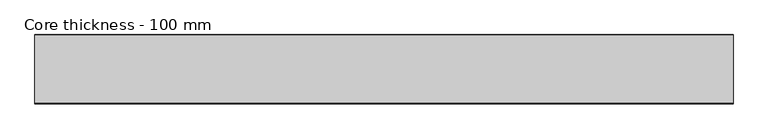
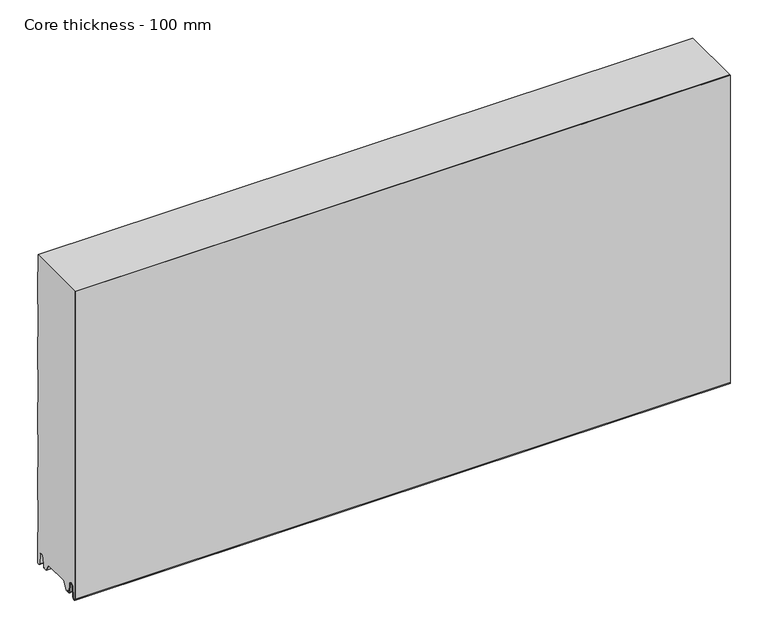
"""IFC4 building model written with IfcOpenShell, lengths in millimetres: plate geometry, Core thickness - 100 mm."""

from ifc_helpers import new_model, si_unit, frame, origin, place, context, project, spatial, polyline, circle_curve, source, transform, mapped, element, save
from ifc_brep_helpers import plane_surface, cylinder_surface, revolved_surface, advanced_brep


def core_thickness_100_mm_6556b540(model_context):
    return source(origin(), model_context, "Body", "AdvancedBrep", [
        advanced_brep(
        [(500.0000002, -99.9996949, 3.0900682), (500.0000002, -93.81449, 2.7875612), (500.0000002, -92.197116, 19.2828169), (500.0000002, -89.1776715, 21.9898782), (500.0000002, -86.1582271, 19.2828169), (500.0000002, -84.7725998, 5.1510966), (500.0000002, -80.3830995, 5.365779), (500.0000002, -81.1830995, 5.365779), (500.0000002, -83.9764178, 5.2291629), (500.0000002, -85.3620451, 19.3608832), (500.0000002, -89.1776715, 22.7899182), (500.0000002, -92.9932979, 19.3608832), (500.0000002, -94.6106719, 2.8656275), (500.0000002, -99.1996949, 3.0900682), (500.0000002, -99.2, 500.0), (500.0000002, -99.9996949, 500.0), (-500.0000002, -99.1996949, 3.0900682), (-500.0000002, -94.6106719, 2.8656275), (-500.0000002, -92.9932979, 19.3608832), (-500.0000002, -89.1776715, 22.7899182), (-500.0000002, -85.3620451, 19.3608832), (-500.0000002, -83.9764178, 5.2291629), (-500.0000002, -81.1830995, 5.365779), (-500.0000002, -80.3830995, 5.365779), (-500.0000002, -84.7725998, 5.1510966), (-500.0000002, -86.1582271, 19.2828169), (-500.0000002, -89.1776715, 21.9898782), (-500.0000002, -92.197116, 19.2828169), (-500.0000002, -93.81449, 2.7875612), (-500.0000002, -99.9996949, 3.0900682), (-500.0000002, -99.9996949, 500.0), (-500.0000002, -99.2, 500.0)],
        [
            (0, 1, circle_curve(frame((500.0000002, -96.8996949, 3.0900682), z_axis=(1.0, 0.0, 0.0), x_axis=(0.0, 0.0, -1.0)), 3.1)),
            (1, 2),
            (2, 3, circle_curve(frame((500.0000002, -89.2114338, 18.9900682), z_axis=(-1.0, 0.0, 0.0), x_axis=(0.0, 0.0, -1.0)), 3.0)),
            (3, 4, circle_curve(frame((500.0000002, -89.1439093, 18.9900682), z_axis=(-1.0, 0.0, 0.0), x_axis=(0.0, 0.0, -1.0)), 3.0)),
            (4, 5),
            (5, 6, circle_curve(frame((500.0000002, -82.5830995, 5.365779), z_axis=(1.0, 0.0, 0.0), x_axis=(0.0, 0.0, -1.0)), 2.2)),
            (6, 7),
            (7, 8, circle_curve(frame((500.0000002, -82.5830995, 5.365779), z_axis=(-1.0, 0.0, 0.0), x_axis=(0.0, 0.0, -1.0)), 1.4)),
            (8, 9),
            (9, 10, circle_curve(frame((500.0000002, -89.1439093, 18.9900682), z_axis=(1.0, 0.0, 0.0), x_axis=(0.0, 0.0, -1.0)), 3.8)),
            (10, 11, circle_curve(frame((500.0000002, -89.2114338, 18.9900682), z_axis=(1.0, 0.0, 0.0), x_axis=(0.0, 0.0, -1.0)), 3.8)),
            (11, 12),
            (12, 13, circle_curve(frame((500.0000002, -96.8996949, 3.0900682), z_axis=(-1.0, 0.0, 0.0), x_axis=(0.0, 0.0, -1.0)), 2.3)),
            (13, 14),
            (14, 15),
            (15, 0),
            (16, 17, circle_curve(frame((-500.0000002, -96.8996949, 3.0900682), z_axis=(1.0, 0.0, 0.0), x_axis=(0.0, 0.0, -1.0)), 2.3)),
            (17, 18),
            (18, 19, circle_curve(frame((-500.0000002, -89.2114338, 18.9900682), z_axis=(-1.0, 0.0, 0.0), x_axis=(0.0, 0.0, -1.0)), 3.8)),
            (19, 20, circle_curve(frame((-500.0000002, -89.1439093, 18.9900682), z_axis=(-1.0, 0.0, 0.0), x_axis=(0.0, 0.0, -1.0)), 3.8)),
            (20, 21),
            (21, 22, circle_curve(frame((-500.0000002, -82.5830995, 5.365779), z_axis=(1.0, 0.0, 0.0), x_axis=(0.0, 0.0, -1.0)), 1.4)),
            (22, 23),
            (23, 24, circle_curve(frame((-500.0000002, -82.5830995, 5.365779), z_axis=(-1.0, 0.0, 0.0), x_axis=(0.0, 0.0, -1.0)), 2.2)),
            (24, 25),
            (25, 26, circle_curve(frame((-500.0000002, -89.1439093, 18.9900682), z_axis=(1.0, 0.0, 0.0), x_axis=(0.0, 0.0, -1.0)), 3.0)),
            (26, 27, circle_curve(frame((-500.0000002, -89.2114338, 18.9900682), z_axis=(1.0, 0.0, 0.0), x_axis=(0.0, 0.0, -1.0)), 3.0)),
            (27, 28),
            (28, 29, circle_curve(frame((-500.0000002, -96.8996949, 3.0900682), z_axis=(-1.0, 0.0, 0.0), x_axis=(0.0, 0.0, -1.0)), 3.1)),
            (29, 30),
            (30, 31),
            (31, 16),
            (13, 16),
            (31, 14),
            (12, 17),
            (11, 18),
            (10, 19),
            (9, 20),
            (8, 21),
            (7, 22),
            (6, 23),
            (5, 24),
            (4, 25),
            (3, 26),
            (2, 27),
            (1, 28),
            (0, 29),
            (15, 30),
        ],
        [
            plane_surface(frame((500.0000002, -100.0, 0.0), z_axis=(1.0, 0.0, 0.0), x_axis=(0.0, 1.0, 0.0))),
            plane_surface(frame((-500.0000002, -100.0, 0.0), z_axis=(-1.0, 0.0, 0.0), x_axis=(0.0, 1.0, 0.0))),
            plane_surface(frame((500.0000002, -99.2, 3.0900682), z_axis=(0.0, 1.0, 0.0), x_axis=(-1.0, 0.0, 0.0))),
            revolved_surface(polyline([(-500.0000002, -96.8996949, 0.7900682000000003), (500.0000002, -96.8996949, 0.7900682000000003)]), (500.0000002, -96.8996949, 3.0900682), (-1.0, 0.0, 0.0)),
            plane_surface(frame((500.0000002, -92.9932979, 19.3608832), z_axis=(0.0, -0.9952273999818314, 0.09758289975914787), x_axis=(-1.0, 0.0, 0.0))),
            cylinder_surface(frame((500.0000002, -89.2114338, 18.9900682), z_axis=(1.0, 0.0, 0.0), x_axis=(0.0, 0.0, -1.0)), 3.8),
            cylinder_surface(frame((500.0000002, -89.1439093, 18.9900682), z_axis=(1.0, 0.0, 0.0), x_axis=(0.0, 0.0, -1.0)), 3.8),
            plane_surface(frame((500.0000002, -83.9764178, 5.2291629), z_axis=(0.0, 0.9952273999818297, 0.09758289975916531), x_axis=(-1.0, 0.0, 0.0))),
            revolved_surface(polyline([(-500.0000002, -82.5830995, 3.965779), (500.0000002, -82.5830995, 3.965779)]), (500.0000002, -82.5830995, 5.365779), (-1.0, 0.0, 0.0)),
            plane_surface(frame((500.0000002, -80.3830995, 5.365779), z_axis=(0.0, 0.0, 1.0), x_axis=(-1.0, 0.0, 0.0))),
            cylinder_surface(frame((500.0000002, -82.5830995, 5.365779), z_axis=(1.0, 0.0, 0.0), x_axis=(0.0, 0.0, -1.0)), 2.2),
            plane_surface(frame((500.0000002, -86.1582271, 19.2828169), z_axis=(0.0, -0.9952273999818296, -0.09758289975916527), x_axis=(-1.0, 0.0, 0.0))),
            revolved_surface(polyline([(-500.0000002, -89.1439093, 15.9900682), (500.0000002, -89.1439093, 15.9900682)]), (500.0000002, -89.1439093, 18.9900682), (-1.0, 0.0, 0.0)),
            revolved_surface(polyline([(-500.0000002, -89.2114338, 15.9900682), (500.0000002, -89.2114338, 15.9900682)]), (500.0000002, -89.2114338, 18.9900682), (-1.0, 0.0, 0.0)),
            plane_surface(frame((500.0000002, -93.81449, 2.7875612), z_axis=(0.0, 0.9952273999818314, -0.09758289975914787), x_axis=(-1.0, 0.0, 0.0))),
            cylinder_surface(frame((500.0000002, -96.8996949, 3.0900682), z_axis=(1.0, 0.0, 0.0), x_axis=(0.0, 0.0, -1.0)), 3.1),
            plane_surface(frame((500.0000002, -99.9996949, 993.9000005), z_axis=(0.0, -1.0, 0.0), x_axis=(-1.0, 0.0, 0.0))),
            plane_surface(frame((-500.0000002, 134.0533409, 500.0), z_axis=(0.0, 0.0, 1.0), x_axis=(1.0, 0.0, 0.0))),
        ],
        [
            (0, [[1, 2, 3, 4, 5, 6, 7, 8, 9, 10, 11, 12, 13, 14, 15, 16]]),
            (1, [[17, 18, 19, 20, 21, 22, 23, 24, 25, 26, 27, 28, 29, 30, 31, 32]]),
            (2, [[33, -32, 34, -14]]),
            (3, [[-13, 35, -17, -33]]),
            (4, [[-12, 36, -18, -35]]),
            (5, [[-11, 37, -19, -36]]),
            (6, [[-10, 38, -20, -37]]),
            (7, [[-9, 39, -21, -38]]),
            (8, [[-8, 40, -22, -39]]),
            (9, [[-7, 41, -23, -40]]),
            (10, [[-6, 42, -24, -41]]),
            (11, [[-5, 43, -25, -42]]),
            (12, [[-4, 44, -26, -43]]),
            (13, [[-3, 45, -27, -44]]),
            (14, [[-2, 46, -28, -45]]),
            (15, [[-1, 47, -29, -46]]),
            (16, [[-47, -16, 48, -30]]),
            (17, [[-15, -34, -31, -48]]),
        ],
    ),
        advanced_brep(
        [(500.0000002, -69.873448, 15.1417681), (500.0000002, -30.126552, 15.1417681), (500.0000002, -23.4071318, 3.165779), (500.0000002, -17.4169005, 3.165779), (500.0000002, -19.6169005, 5.365779), (500.0000002, -18.8169005, 5.365779), (500.0000002, -16.0235822, 5.2291629), (500.0000002, -14.6379549, 19.3608832), (500.0000002, -10.8223285, 22.7899182), (500.0000002, -7.0067021, 19.3608832), (500.0000002, -5.3893281, 2.8656275), (500.0000002, -0.8003051, 3.0900682), (500.0000002, -0.8, 49.9459237), (500.0000002, -1.0986697, 50.9973395), (500.0000002, -1.5003051, 52.4177205), (500.0000002, -1.5003051, 102.5775037), (500.0000002, -1.0971009, 103.9969151), (500.0000002, -0.8, 105.0493005), (500.0000002, -0.8, 155.2090837), (500.0000002, -1.0986697, 156.2604995), (500.0000002, -1.5003051, 157.6808805), (500.0000002, -1.5003051, 207.8406637), (500.0000002, -1.0971009, 209.2600751), (500.0000002, -0.8, 210.3124605), (500.0000002, -0.8, 260.4722437), (500.0000002, -1.0986697, 261.5236595), (500.0000002, -1.5003051, 262.9440405), (500.0000002, -1.5003051, 313.1038237), (500.0000002, -1.0971009, 314.5232351), (500.0000002, -0.8, 315.5756205), (500.0000002, -0.8, 365.7354037), (500.0000002, -1.0986697, 366.7868195), (500.0000002, -1.5003051, 368.2072005), (500.0000002, -1.5003051, 418.3669837), (500.0000002, -1.0971009, 419.7863951), (500.0000002, -0.8, 420.8387805), (500.0000002, -0.8, 470.9985637), (500.0000002, -1.0986697, 472.0499795), (500.0000002, -1.5003051, 473.4703605), (500.0000002, -1.5003051, 500.0), (500.0000002, -99.2, 500.0), (500.0000002, -99.2, 3.0900682), (500.0000002, -94.6106719, 2.8656275), (500.0000002, -92.9932979, 19.3608832), (500.0000002, -89.1776715, 22.7899182), (500.0000002, -85.3620451, 19.3608832), (500.0000002, -83.9764178, 5.2291629), (500.0000002, -81.1830995, 5.365779), (500.0000002, -80.3830995, 5.365779), (500.0000002, -82.5830995, 3.165779), (500.0000002, -76.5928682, 3.165779), (-500.0000002, -30.126552, 15.1417681), (-500.0000002, -69.873448, 15.1417681), (-500.0000002, -76.5928682, 3.165779), (-500.0000002, -82.5830995, 3.165779), (-500.0000002, -80.3830995, 5.365779), (-500.0000002, -81.1830995, 5.365779), (-500.0000002, -83.9764178, 5.2291629), (-500.0000002, -85.3620451, 19.3608832), (-500.0000002, -89.1776715, 22.7899182), (-500.0000002, -92.9932979, 19.3608832), (-500.0000002, -94.6106719, 2.8656275), (-500.0000002, -99.1996949, 3.0900682), (-500.0000002, -99.2, 500.0), (-500.0000002, -1.5003051, 500.0), (-500.0000002, -1.5003051, 473.4703605), (-500.0000002, -1.0971009, 472.0509491), (-500.0000002, -0.8, 470.9985637), (-500.0000002, -0.8, 420.8387805), (-500.0000002, -1.0986697, 419.7873646), (-500.0000002, -1.5003051, 418.3669837), (-500.0000002, -1.5003051, 368.2072005), (-500.0000002, -1.0971009, 366.7877891), (-500.0000002, -0.8, 365.7354037), (-500.0000002, -0.8, 315.5756205), (-500.0000002, -1.0986697, 314.5242046), (-500.0000002, -1.5003051, 313.1038237), (-500.0000002, -1.5003051, 262.9440405), (-500.0000002, -1.0971009, 261.5246291), (-500.0000002, -0.8, 260.4722437), (-500.0000002, -0.8, 210.3124605), (-500.0000002, -1.0986697, 209.2610446), (-500.0000002, -1.5003051, 207.8406637), (-500.0000002, -1.5003051, 157.6808805), (-500.0000002, -1.0971009, 156.2614691), (-500.0000002, -0.8, 155.2090837), (-500.0000002, -0.8, 105.0493005), (-500.0000002, -1.0986697, 103.9978846), (-500.0000002, -1.5003051, 102.5775037), (-500.0000002, -1.5003051, 52.4177205), (-500.0000002, -1.0971009, 50.9983091), (-500.0000002, -0.8, 49.9459237), (-500.0000002, -0.8, 3.0900682), (-500.0000002, -5.3893281, 2.8656275), (-500.0000002, -7.0067021, 19.3608832), (-500.0000002, -10.8223285, 22.7899182), (-500.0000002, -14.6379549, 19.3608832), (-500.0000002, -16.0235822, 5.2291629), (-500.0000002, -18.8169005, 5.365779), (-500.0000002, -19.6169005, 5.365779), (-500.0000002, -17.4169005, 3.165779), (-500.0000002, -23.4071318, 3.165779)],
        [
            (0, 1),
            (1, 2),
            (2, 3),
            (3, 4, circle_curve(frame((500.0000002, -17.4169005, 5.365779), z_axis=(-1.0, 0.0, 0.0), x_axis=(0.0, 0.0, -1.0)), 2.2)),
            (4, 5),
            (5, 6, circle_curve(frame((500.0000002, -17.4169005, 5.365779), z_axis=(1.0, 0.0, 0.0), x_axis=(0.0, 0.0, -1.0)), 1.4)),
            (6, 7),
            (7, 8, circle_curve(frame((500.0000002, -10.8560907, 18.9900682), z_axis=(-1.0, 0.0, 0.0), x_axis=(0.0, 0.0, -1.0)), 3.8)),
            (8, 9, circle_curve(frame((500.0000002, -10.7885662, 18.9900682), z_axis=(-1.0, 0.0, 0.0), x_axis=(0.0, 0.0, -1.0)), 3.8)),
            (9, 10),
            (10, 11, circle_curve(frame((500.0000002, -3.1003051, 3.0900682), z_axis=(1.0, 0.0, 0.0), x_axis=(0.0, 0.0, -1.0)), 2.3)),
            (11, 12),
            (12, 13, circle_curve(frame((500.0000002, -2.8, 49.9459237), z_axis=(1.0, 0.0, 0.0), x_axis=(0.0, 0.0, -1.0)), 2.0)),
            (13, 14, circle_curve(frame((500.0000002, 1.1996949, 52.4177205), z_axis=(-1.0, 0.0, 0.0), x_axis=(0.0, 0.0, -1.0)), 2.7)),
            (14, 15),
            (15, 16, circle_curve(frame((500.0000002, 1.1996949, 102.5775037), z_axis=(-1.0, 0.0, 0.0), x_axis=(0.0, 0.0, -1.0)), 2.7)),
            (16, 17, circle_curve(frame((500.0000002, -2.8, 105.0493005), z_axis=(1.0, 0.0, 0.0), x_axis=(0.0, 0.0, -1.0)), 2.0)),
            (17, 18),
            (18, 19, circle_curve(frame((500.0000002, -2.8, 155.2090837), z_axis=(1.0, 0.0, 0.0), x_axis=(0.0, 0.0, -1.0)), 2.0)),
            (19, 20, circle_curve(frame((500.0000002, 1.1996949, 157.6808805), z_axis=(-1.0, 0.0, 0.0), x_axis=(0.0, 0.0, -1.0)), 2.7)),
            (20, 21),
            (21, 22, circle_curve(frame((500.0000002, 1.1996949, 207.8406637), z_axis=(-1.0, 0.0, 0.0), x_axis=(0.0, 0.0, -1.0)), 2.7)),
            (22, 23, circle_curve(frame((500.0000002, -2.8, 210.3124605), z_axis=(1.0, 0.0, 0.0), x_axis=(0.0, 0.0, -1.0)), 2.0)),
            (23, 24),
            (24, 25, circle_curve(frame((500.0000002, -2.8, 260.4722437), z_axis=(1.0, 0.0, 0.0), x_axis=(0.0, 0.0, -1.0)), 2.0)),
            (25, 26, circle_curve(frame((500.0000002, 1.1996949, 262.9440405), z_axis=(-1.0, 0.0, 0.0), x_axis=(0.0, 0.0, -1.0)), 2.7)),
            (26, 27),
            (27, 28, circle_curve(frame((500.0000002, 1.1996949, 313.1038237), z_axis=(-1.0, 0.0, 0.0), x_axis=(0.0, 0.0, -1.0)), 2.7)),
            (28, 29, circle_curve(frame((500.0000002, -2.8, 315.5756205), z_axis=(1.0, 0.0, 0.0), x_axis=(0.0, 0.0, -1.0)), 2.0)),
            (29, 30),
            (30, 31, circle_curve(frame((500.0000002, -2.8, 365.7354037), z_axis=(1.0, 0.0, 0.0), x_axis=(0.0, 0.0, -1.0)), 2.0)),
            (31, 32, circle_curve(frame((500.0000002, 1.1996949, 368.2072005), z_axis=(-1.0, 0.0, 0.0), x_axis=(0.0, 0.0, -1.0)), 2.7)),
            (32, 33),
            (33, 34, circle_curve(frame((500.0000002, 1.1996949, 418.3669837), z_axis=(-1.0, 0.0, 0.0), x_axis=(0.0, 0.0, -1.0)), 2.7)),
            (34, 35, circle_curve(frame((500.0000002, -2.8, 420.8387805), z_axis=(1.0, 0.0, 0.0), x_axis=(0.0, 0.0, -1.0)), 2.0)),
            (35, 36),
            (36, 37, circle_curve(frame((500.0000002, -2.8, 470.9985637), z_axis=(1.0, 0.0, 0.0), x_axis=(0.0, 0.0, -1.0)), 2.0)),
            (37, 38, circle_curve(frame((500.0000002, 1.1996949, 473.4703605), z_axis=(-1.0, 0.0, 0.0), x_axis=(0.0, 0.0, -1.0)), 2.7)),
            (38, 39),
            (39, 40),
            (40, 41),
            (41, 42, circle_curve(frame((500.0000002, -96.8996949, 3.0900682), z_axis=(1.0, 0.0, 0.0), x_axis=(0.0, 0.0, -1.0)), 2.3)),
            (42, 43),
            (43, 44, circle_curve(frame((500.0000002, -89.2114338, 18.9900682), z_axis=(-1.0, 0.0, 0.0), x_axis=(0.0, 0.0, -1.0)), 3.8)),
            (44, 45, circle_curve(frame((500.0000002, -89.1439093, 18.9900682), z_axis=(-1.0, 0.0, 0.0), x_axis=(0.0, 0.0, -1.0)), 3.8)),
            (45, 46),
            (46, 47, circle_curve(frame((500.0000002, -82.5830995, 5.365779), z_axis=(1.0, 0.0, 0.0), x_axis=(0.0, 0.0, -1.0)), 1.4)),
            (47, 48),
            (48, 49, circle_curve(frame((500.0000002, -82.5830995, 5.365779), z_axis=(-1.0, 0.0, 0.0), x_axis=(0.0, 0.0, -1.0)), 2.2)),
            (49, 50),
            (50, 0),
            (51, 52),
            (52, 53),
            (53, 54),
            (54, 55, circle_curve(frame((-500.0000002, -82.5830995, 5.365779), z_axis=(1.0, 0.0, 0.0), x_axis=(0.0, 0.0, -1.0)), 2.2)),
            (55, 56),
            (56, 57, circle_curve(frame((-500.0000002, -82.5830995, 5.365779), z_axis=(-1.0, 0.0, 0.0), x_axis=(0.0, 0.0, -1.0)), 1.4)),
            (57, 58),
            (58, 59, circle_curve(frame((-500.0000002, -89.1439093, 18.9900682), z_axis=(1.0, 0.0, 0.0), x_axis=(0.0, 0.0, -1.0)), 3.8)),
            (59, 60, circle_curve(frame((-500.0000002, -89.2114338, 18.9900682), z_axis=(1.0, 0.0, 0.0), x_axis=(0.0, 0.0, -1.0)), 3.8)),
            (60, 61),
            (61, 62, circle_curve(frame((-500.0000002, -96.8996949, 3.0900682), z_axis=(-1.0, 0.0, 0.0), x_axis=(0.0, 0.0, -1.0)), 2.3)),
            (62, 63),
            (63, 64),
            (64, 65),
            (65, 66, circle_curve(frame((-500.0000002, 1.1996949, 473.4703605), z_axis=(1.0, 0.0, 0.0), x_axis=(0.0, 0.0, -1.0)), 2.7)),
            (66, 67, circle_curve(frame((-500.0000002, -2.8, 470.9985637), z_axis=(-1.0, 0.0, 0.0), x_axis=(0.0, 0.0, -1.0)), 2.0)),
            (67, 68),
            (68, 69, circle_curve(frame((-500.0000002, -2.8, 420.8387805), z_axis=(-1.0, 0.0, 0.0), x_axis=(0.0, 0.0, -1.0)), 2.0)),
            (69, 70, circle_curve(frame((-500.0000002, 1.1996949, 418.3669837), z_axis=(1.0, 0.0, 0.0), x_axis=(0.0, 0.0, -1.0)), 2.7)),
            (70, 71),
            (71, 72, circle_curve(frame((-500.0000002, 1.1996949, 368.2072005), z_axis=(1.0, 0.0, 0.0), x_axis=(0.0, 0.0, -1.0)), 2.7)),
            (72, 73, circle_curve(frame((-500.0000002, -2.8, 365.7354037), z_axis=(-1.0, 0.0, 0.0), x_axis=(0.0, 0.0, -1.0)), 2.0)),
            (73, 74),
            (74, 75, circle_curve(frame((-500.0000002, -2.8, 315.5756205), z_axis=(-1.0, 0.0, 0.0), x_axis=(0.0, 0.0, -1.0)), 2.0)),
            (75, 76, circle_curve(frame((-500.0000002, 1.1996949, 313.1038237), z_axis=(1.0, 0.0, 0.0), x_axis=(0.0, 0.0, -1.0)), 2.7)),
            (76, 77),
            (77, 78, circle_curve(frame((-500.0000002, 1.1996949, 262.9440405), z_axis=(1.0, 0.0, 0.0), x_axis=(0.0, 0.0, -1.0)), 2.7)),
            (78, 79, circle_curve(frame((-500.0000002, -2.8, 260.4722437), z_axis=(-1.0, 0.0, 0.0), x_axis=(0.0, 0.0, -1.0)), 2.0)),
            (79, 80),
            (80, 81, circle_curve(frame((-500.0000002, -2.8, 210.3124605), z_axis=(-1.0, 0.0, 0.0), x_axis=(0.0, 0.0, -1.0)), 2.0)),
            (81, 82, circle_curve(frame((-500.0000002, 1.1996949, 207.8406637), z_axis=(1.0, 0.0, 0.0), x_axis=(0.0, 0.0, -1.0)), 2.7)),
            (82, 83),
            (83, 84, circle_curve(frame((-500.0000002, 1.1996949, 157.6808805), z_axis=(1.0, 0.0, 0.0), x_axis=(0.0, 0.0, -1.0)), 2.7)),
            (84, 85, circle_curve(frame((-500.0000002, -2.8, 155.2090837), z_axis=(-1.0, 0.0, 0.0), x_axis=(0.0, 0.0, -1.0)), 2.0)),
            (85, 86),
            (86, 87, circle_curve(frame((-500.0000002, -2.8, 105.0493005), z_axis=(-1.0, 0.0, 0.0), x_axis=(0.0, 0.0, -1.0)), 2.0)),
            (87, 88, circle_curve(frame((-500.0000002, 1.1996949, 102.5775037), z_axis=(1.0, 0.0, 0.0), x_axis=(0.0, 0.0, -1.0)), 2.7)),
            (88, 89),
            (89, 90, circle_curve(frame((-500.0000002, 1.1996949, 52.4177205), z_axis=(1.0, 0.0, 0.0), x_axis=(0.0, 0.0, -1.0)), 2.7)),
            (90, 91, circle_curve(frame((-500.0000002, -2.8, 49.9459237), z_axis=(-1.0, 0.0, 0.0), x_axis=(0.0, 0.0, -1.0)), 2.0)),
            (91, 92),
            (92, 93, circle_curve(frame((-500.0000002, -3.1003051, 3.0900682), z_axis=(-1.0, 0.0, 0.0), x_axis=(0.0, 0.0, -1.0)), 2.3)),
            (93, 94),
            (94, 95, circle_curve(frame((-500.0000002, -10.7885662, 18.9900682), z_axis=(1.0, 0.0, 0.0), x_axis=(0.0, 0.0, -1.0)), 3.8)),
            (95, 96, circle_curve(frame((-500.0000002, -10.8560907, 18.9900682), z_axis=(1.0, 0.0, 0.0), x_axis=(0.0, 0.0, -1.0)), 3.8)),
            (96, 97),
            (97, 98, circle_curve(frame((-500.0000002, -17.4169005, 5.365779), z_axis=(-1.0, 0.0, 0.0), x_axis=(0.0, 0.0, -1.0)), 1.4)),
            (98, 99),
            (99, 100, circle_curve(frame((-500.0000002, -17.4169005, 5.365779), z_axis=(1.0, 0.0, 0.0), x_axis=(0.0, 0.0, -1.0)), 2.2)),
            (100, 101),
            (101, 51),
            (1, 51),
            (101, 2),
            (0, 52),
            (50, 53),
            (99, 4),
            (3, 100),
            (98, 5),
            (97, 6),
            (96, 7),
            (95, 8),
            (94, 9),
            (93, 10),
            (92, 11),
            (91, 12),
            (90, 13),
            (89, 14),
            (88, 15),
            (87, 16),
            (86, 17),
            (85, 18),
            (84, 19),
            (83, 20),
            (82, 21),
            (81, 22),
            (80, 23),
            (79, 24),
            (78, 25),
            (77, 26),
            (76, 27),
            (75, 28),
            (74, 29),
            (73, 30),
            (72, 31),
            (71, 32),
            (70, 33),
            (69, 34),
            (68, 35),
            (67, 36),
            (66, 37),
            (65, 38),
            (64, 39),
            (62, 41),
            (40, 63),
            (61, 42),
            (60, 43),
            (59, 44),
            (58, 45),
            (57, 46),
            (56, 47),
            (55, 48),
            (54, 49),
        ],
        [
            plane_surface(frame((500.0000002, 0.0, 0.0), z_axis=(1.0, 0.0, 0.0), x_axis=(0.0, -1.0, 0.0))),
            plane_surface(frame((-500.0000002, 0.0, 0.0), z_axis=(-1.0, 0.0, 0.0), x_axis=(0.0, -1.0, 0.0))),
            plane_surface(frame((500.0000002, -30.126552, 15.1417681), z_axis=(0.0, -0.8721062992196836, -0.4893164649399687), x_axis=(-1.0, 0.0, 0.0))),
            plane_surface(frame((500.0000002, -69.873448, 15.1417681), z_axis=(0.0, 0.0, -1.0), x_axis=(-1.0, 0.0, 0.0))),
            plane_surface(frame((500.0000002, -76.8190247, 2.7627014), z_axis=(0.0, 0.8721062992196852, -0.48931646493996606), x_axis=(-1.0, 0.0, 0.0))),
            revolved_surface(polyline([(500.0000002, -17.4169005, 3.1657789999999997), (-500.00000020000004, -17.4169005, 3.1657789999999997)]), (630.0000002, -17.4169005, 5.365779), (1.0, 0.0, 0.0)),
            plane_surface(frame((630.0000002, -18.8169005, 5.365779), z_axis=(0.0, 0.0, -1.0), x_axis=(-1.0, 0.0, 0.0))),
            cylinder_surface(frame((630.0000002, -17.4169005, 5.365779), z_axis=(-1.0, 0.0, 0.0), x_axis=(0.0, 0.0, -1.0)), 1.4),
            plane_surface(frame((630.0000002, -14.6379549, 19.3608832), z_axis=(0.0, 0.9952273999818297, -0.09758289975916531), x_axis=(-1.0, 0.0, 0.0))),
            revolved_surface(polyline([(500.0000002, -10.8560907, 15.190068199999999), (-500.00000020000004, -10.8560907, 15.190068199999999)]), (630.0000002, -10.8560907, 18.9900682), (1.0, 0.0, 0.0)),
            revolved_surface(polyline([(500.0000002, -10.7885662, 15.190068199999999), (-500.00000020000004, -10.7885662, 15.190068199999999)]), (630.0000002, -10.7885662, 18.9900682), (1.0, 0.0, 0.0)),
            plane_surface(frame((630.0000002, -5.3893281, 2.8656275), z_axis=(0.0, -0.9952273999818314, -0.09758289975914787), x_axis=(-1.0, 0.0, 0.0))),
            cylinder_surface(frame((630.0000002, -3.1003051, 3.0900682), z_axis=(-1.0, 0.0, 0.0), x_axis=(0.0, 0.0, -1.0)), 2.3),
            plane_surface(frame((630.0000002, -0.8, 49.9459237), z_axis=(0.0, 1.0, 0.0), x_axis=(-1.0, 0.0, 0.0))),
            cylinder_surface(frame((630.0000002, -2.8, 49.9459237), z_axis=(-1.0, 0.0, 0.0), x_axis=(0.0, 0.0, -1.0)), 2.0),
            revolved_surface(polyline([(500.0000002, 1.1996949, 49.7177205), (-500.00000020000004, 1.1996949, 49.7177205)]), (630.0000002, 1.1996949, 52.4177205), (1.0, 0.0, 0.0)),
            plane_surface(frame((630.0000002, -1.5003051, 102.5775037), z_axis=(0.0, 1.0, 0.0), x_axis=(-1.0, 0.0, 0.0))),
            revolved_surface(polyline([(500.0000002, 1.1996949, 99.87750369999999), (-500.00000020000004, 1.1996949, 99.87750369999999)]), (630.0000002, 1.1996949, 102.5775037), (1.0, 0.0, 0.0)),
            cylinder_surface(frame((630.0000002, -2.8, 105.0493005), z_axis=(-1.0, 0.0, 0.0), x_axis=(0.0, 0.0, -1.0)), 2.0),
            plane_surface(frame((630.0000002, -0.8, 155.2090837), z_axis=(0.0, 1.0, 0.0), x_axis=(-1.0, 0.0, 0.0))),
            cylinder_surface(frame((630.0000002, -2.8, 155.2090837), z_axis=(-1.0, 0.0, 0.0), x_axis=(0.0, 0.0, -1.0)), 2.0),
            revolved_surface(polyline([(500.0000002, 1.1996949, 154.9808805), (-500.00000020000004, 1.1996949, 154.9808805)]), (630.0000002, 1.1996949, 157.6808805), (1.0, 0.0, 0.0)),
            plane_surface(frame((630.0000002, -1.5003051, 207.8406637), z_axis=(0.0, 1.0, 0.0), x_axis=(-1.0, 0.0, 0.0))),
            revolved_surface(polyline([(500.0000002, 1.1996949, 205.1406637), (-500.00000020000004, 1.1996949, 205.1406637)]), (630.0000002, 1.1996949, 207.8406637), (1.0, 0.0, 0.0)),
            cylinder_surface(frame((630.0000002, -2.8, 210.3124605), z_axis=(-1.0, 0.0, 0.0), x_axis=(0.0, 0.0, -1.0)), 2.0),
            plane_surface(frame((630.0000002, -0.8, 260.4722437), z_axis=(0.0, 1.0, 0.0), x_axis=(-1.0, 0.0, 0.0))),
            cylinder_surface(frame((630.0000002, -2.8, 260.4722437), z_axis=(-1.0, 0.0, 0.0), x_axis=(0.0, 0.0, -1.0)), 2.0),
            revolved_surface(polyline([(500.0000002, 1.1996949, 260.24404050000004), (-500.00000020000004, 1.1996949, 260.24404050000004)]), (630.0000002, 1.1996949, 262.9440405), (1.0, 0.0, 0.0)),
            plane_surface(frame((630.0000002, -1.5003051, 313.1038237), z_axis=(0.0, 1.0, 0.0), x_axis=(-1.0, 0.0, 0.0))),
            revolved_surface(polyline([(500.0000002, 1.1996949, 310.40382370000003), (-500.00000020000004, 1.1996949, 310.40382370000003)]), (630.0000002, 1.1996949, 313.1038237), (1.0, 0.0, 0.0)),
            cylinder_surface(frame((630.0000002, -2.8, 315.5756205), z_axis=(-1.0, 0.0, 0.0), x_axis=(0.0, 0.0, -1.0)), 2.0),
            plane_surface(frame((630.0000002, -0.8, 365.7354037), z_axis=(0.0, 1.0, 0.0), x_axis=(-1.0, 0.0, 0.0))),
            cylinder_surface(frame((630.0000002, -2.8, 365.7354037), z_axis=(-1.0, 0.0, 0.0), x_axis=(0.0, 0.0, -1.0)), 2.0),
            revolved_surface(polyline([(500.0000002, 1.1996949, 365.5072005), (-500.00000020000004, 1.1996949, 365.5072005)]), (630.0000002, 1.1996949, 368.2072005), (1.0, 0.0, 0.0)),
            plane_surface(frame((630.0000002, -1.5003051, 418.3669837), z_axis=(0.0, 1.0, 0.0), x_axis=(-1.0, 0.0, 0.0))),
            revolved_surface(polyline([(500.0000002, 1.1996949, 415.6669837), (-500.00000020000004, 1.1996949, 415.6669837)]), (630.0000002, 1.1996949, 418.3669837), (1.0, 0.0, 0.0)),
            cylinder_surface(frame((630.0000002, -2.8, 420.8387805), z_axis=(-1.0, 0.0, 0.0), x_axis=(0.0, 0.0, -1.0)), 2.0),
            plane_surface(frame((630.0000002, -0.8, 470.9985637), z_axis=(0.0, 1.0, 0.0), x_axis=(-1.0, 0.0, 0.0))),
            cylinder_surface(frame((630.0000002, -2.8, 470.9985637), z_axis=(-1.0, 0.0, 0.0), x_axis=(0.0, 0.0, -1.0)), 2.0),
            revolved_surface(polyline([(500.0000002, 1.1996949, 470.77036050000004), (-500.00000020000004, 1.1996949, 470.77036050000004)]), (630.0000002, 1.1996949, 473.4703605), (1.0, 0.0, 0.0)),
            plane_surface(frame((630.0000002, -1.5003051, 523.6301437), z_axis=(0.0, 1.0, 0.0), x_axis=(-1.0, 0.0, 0.0))),
            plane_surface(frame((630.0000002, -99.2, 3.0900682), z_axis=(0.0, -1.0, 0.0), x_axis=(-1.0, 0.0, 0.0))),
            cylinder_surface(frame((630.0000002, -96.8996949, 3.0900682), z_axis=(-1.0, 0.0, 0.0), x_axis=(0.0, 0.0, -1.0)), 2.3),
            plane_surface(frame((630.0000002, -92.9932979, 19.3608832), z_axis=(0.0, 0.9952273999818314, -0.09758289975914787), x_axis=(-1.0, 0.0, 0.0))),
            revolved_surface(polyline([(500.0000002, -89.2114338, 15.190068199999999), (-500.00000020000004, -89.2114338, 15.190068199999999)]), (630.0000002, -89.2114338, 18.9900682), (1.0, 0.0, 0.0)),
            revolved_surface(polyline([(500.0000002, -89.1439093, 15.190068199999999), (-500.00000020000004, -89.1439093, 15.190068199999999)]), (630.0000002, -89.1439093, 18.9900682), (1.0, 0.0, 0.0)),
            plane_surface(frame((630.0000002, -83.9764178, 5.2291629), z_axis=(0.0, -0.9952273999818297, -0.09758289975916531), x_axis=(-1.0, 0.0, 0.0))),
            cylinder_surface(frame((630.0000002, -82.5830995, 5.365779), z_axis=(-1.0, 0.0, 0.0), x_axis=(0.0, 0.0, -1.0)), 1.4),
            plane_surface(frame((630.0000002, -80.3830995, 5.365779), z_axis=(0.0, 0.0, -1.0), x_axis=(-1.0, 0.0, 0.0))),
            revolved_surface(polyline([(500.0000002, -82.5830995, 3.1657789999999997), (-500.00000020000004, -82.5830995, 3.1657789999999997)]), (630.0000002, -82.5830995, 5.365779), (1.0, 0.0, 0.0)),
            plane_surface(frame((-500.0000002, -82.5830995, 3.165779), z_axis=(0.0, 0.0, -1.0), x_axis=(1.0, 0.0, 0.0))),
            plane_surface(frame((-500.0000002, 134.0533409, 500.0), z_axis=(0.0, 0.0, 1.0), x_axis=(1.0, 0.0, 0.0))),
        ],
        [
            (0, [[1, 2, 3, 4, 5, 6, 7, 8, 9, 10, 11, 12, 13, 14, 15, 16, 17, 18, 19, 20, 21, 22, 23, 24, 25, 26, 27, 28, 29, 30, 31, 32, 33, 34, 35, 36, 37, 38, 39, 40, 41, 42, 43, 44, 45, 46, 47, 48, 49, 50, 51]]),
            (1, [[52, 53, 54, 55, 56, 57, 58, 59, 60, 61, 62, 63, 64, 65, 66, 67, 68, 69, 70, 71, 72, 73, 74, 75, 76, 77, 78, 79, 80, 81, 82, 83, 84, 85, 86, 87, 88, 89, 90, 91, 92, 93, 94, 95, 96, 97, 98, 99, 100, 101, 102]]),
            (2, [[103, -102, 104, -2]]),
            (3, [[-1, 105, -52, -103]]),
            (4, [[-105, -51, 106, -53]]),
            (5, [[107, -4, 108, -100]]),
            (6, [[-107, -99, 109, -5]]),
            (7, [[-109, -98, 110, -6]]),
            (8, [[-110, -97, 111, -7]]),
            (9, [[-111, -96, 112, -8]]),
            (10, [[-112, -95, 113, -9]]),
            (11, [[-113, -94, 114, -10]]),
            (12, [[-114, -93, 115, -11]]),
            (13, [[-115, -92, 116, -12]]),
            (14, [[-116, -91, 117, -13]]),
            (15, [[-117, -90, 118, -14]]),
            (16, [[-118, -89, 119, -15]]),
            (17, [[-119, -88, 120, -16]]),
            (18, [[-120, -87, 121, -17]]),
            (19, [[-121, -86, 122, -18]]),
            (20, [[-122, -85, 123, -19]]),
            (21, [[-123, -84, 124, -20]]),
            (22, [[-124, -83, 125, -21]]),
            (23, [[-125, -82, 126, -22]]),
            (24, [[-126, -81, 127, -23]]),
            (25, [[-127, -80, 128, -24]]),
            (26, [[-128, -79, 129, -25]]),
            (27, [[-129, -78, 130, -26]]),
            (28, [[-130, -77, 131, -27]]),
            (29, [[-131, -76, 132, -28]]),
            (30, [[-132, -75, 133, -29]]),
            (31, [[-133, -74, 134, -30]]),
            (32, [[-134, -73, 135, -31]]),
            (33, [[-135, -72, 136, -32]]),
            (34, [[-136, -71, 137, -33]]),
            (35, [[-137, -70, 138, -34]]),
            (36, [[-138, -69, 139, -35]]),
            (37, [[-139, -68, 140, -36]]),
            (38, [[-140, -67, 141, -37]]),
            (39, [[-141, -66, 142, -38]]),
            (40, [[-142, -65, 143, -39]]),
            (41, [[144, -41, 145, -63]]),
            (42, [[-144, -62, 146, -42]]),
            (43, [[-146, -61, 147, -43]]),
            (44, [[-147, -60, 148, -44]]),
            (45, [[-148, -59, 149, -45]]),
            (46, [[-149, -58, 150, -46]]),
            (47, [[-150, -57, 151, -47]]),
            (48, [[-151, -56, 152, -48]]),
            (49, [[-152, -55, 153, -49]]),
            (50, [[-3, -104, -101, -108]]),
            (50, [[-50, -153, -54, -106]]),
            (51, [[-143, -64, -145, -40]]),
        ],
    ),
    ])


if __name__ == "__main__":
    model = new_model("IFC4")
    model_context = context("Model", 3, world=origin())
    ifc_project = project(units=[si_unit("LENGTHUNIT", "METRE", prefix="MILLI")], contexts=[model_context])
    site = spatial("IfcSite", under=ifc_project)
    building = spatial("IfcBuilding", under=site)
    placement = place(None, origin())
    core_thickness_100_mm_shape = core_thickness_100_mm_6556b540(model_context)
    element("IfcPlate", 1, ObjectType="Core thickness - 100 mm", at=placement, inside=building, context=model_context, shape_type="MappedRepresentation", body=[
        mapped(core_thickness_100_mm_shape, transform((0.0, 0.0, 0.0), x_axis=(1.0, 0.0, 0.0), y_axis=(0.0, 1.0, 0.0), z_axis=(0.0, 0.0, 1.0))),
    ])
    save(model, "model.ifc")
